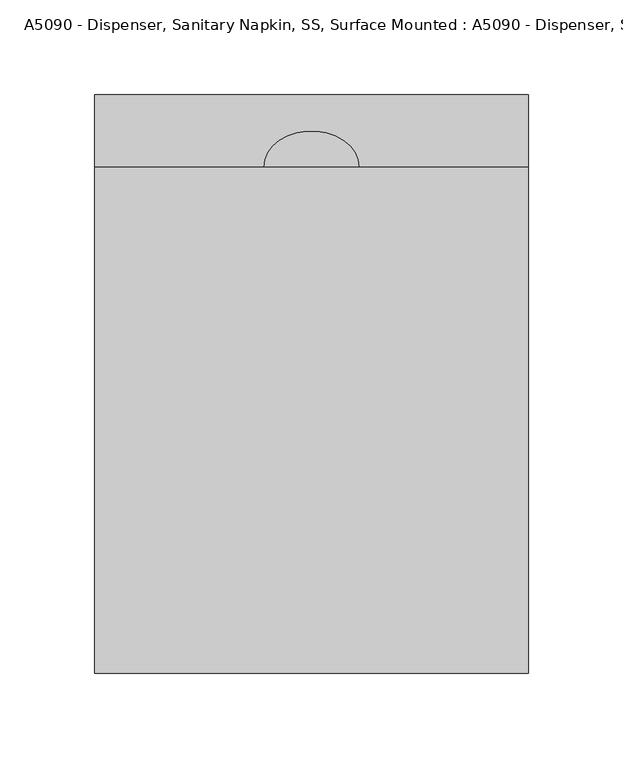
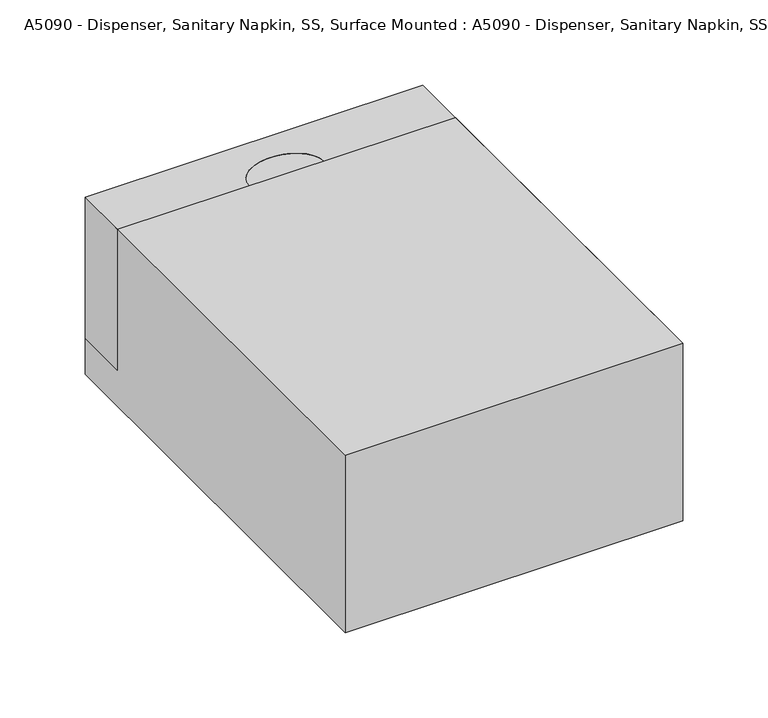
"""IFC4 building model written with IfcOpenShell, lengths in millimetres: proxy geometry, A5090 - Dispenser, Sanitary Napkin, SS, Surface Mounted : A5090 - Dispenser, Sanitary Napkin, SS, Surface Mounted."""

from ifc_helpers import new_model, si_unit, point, frame, origin, origin_with_axes, place, context, project, spatial, polyline, ellipse_curve, trimmed, outline, extrude, source, transform, mapped, element, save
from ifc_brep_helpers import plane_surface, extruded_surface, advanced_brep


def a5090_dispenser_sanitary_napkin_ss_surface_mounted_a5090_ce8c1d57(model_context):
    return source(origin(), model_context, "Body", "SolidModel", [
        extrude(outline(polyline([(0.0, 127.0), (266.7, 127.0), (266.7, 25.4), (304.8, 25.4), (304.8, 0.0), (0.0, 0.0), (0.0, 127.0)])), frame((-114.3, 0.0, 0.0), z_axis=(1.0, 0.0, 0.0), x_axis=(0.0, 1.0, 0.0)), (0.0, 0.0, 1.0), 228.6),
        advanced_brep(
        [(114.3, 304.8, 127.0), (-114.3, 304.8, 127.0), (-114.3, 266.7, 127.0), (-25.4, 266.7, 127.0), (25.4, 266.7, 127.0), (114.3, 266.7, 127.0), (114.3, 304.8, 25.4), (114.3, 266.7, 25.4), (25.4, 266.7, 25.4), (-25.4, 266.7, 25.4), (-114.3, 266.7, 25.4), (-114.3, 304.8, 25.4)],
        [
            (0, 1),
            (1, 2),
            (2, 3),
            (3, 4, ellipse_curve(frame((0.0, 266.7, 127.0), z_axis=(0.0, 0.0, -1.0), x_axis=(1.0, 0.0, 0.0)), 25.4, 19.05)),
            (4, 5),
            (5, 0),
            (6, 7),
            (7, 8),
            (8, 9, ellipse_curve(frame((0.0, 266.7, 25.4), z_axis=(0.0, 0.0, 1.0), x_axis=(1.0, 0.0, 0.0)), 25.4, 19.05)),
            (9, 10),
            (10, 11),
            (11, 6),
            (0, 6),
            (11, 1),
            (10, 2),
            (9, 3),
            (8, 4),
            (7, 5),
        ],
        [
            plane_surface(frame((-114.3, 304.8, 127.0), z_axis=(0.0, 0.0, 1.0), x_axis=(-1.0, 0.0, 0.0))),
            plane_surface(frame((-114.3, 304.8, 25.4), z_axis=(0.0, 0.0, -1.0), x_axis=(1.0, 0.0, 0.0))),
            plane_surface(frame((114.3, 304.8, 127.0), z_axis=(0.0, 1.0, 0.0), x_axis=(0.0, 0.0, -1.0))),
            plane_surface(frame((-114.3, 304.8, 127.0), z_axis=(-1.0, 0.0, 0.0), x_axis=(0.0, 0.0, -1.0))),
            plane_surface(frame((-114.3, 266.7, 127.0), z_axis=(0.0, -1.0, 0.0), x_axis=(0.0, 0.0, -1.0))),
            extruded_surface(trimmed(ellipse_curve(frame((0.0, 266.7, -76.2), z_axis=(0.0, 0.0, -1.0), x_axis=(1.0, 0.0, 0.0)), 25.4, 19.05), [point((-25.4, 266.7, -76.2))], [point((25.4, 266.7, -76.2))], True, "CARTESIAN"), (0.0, 0.0, 101.6), 101.6),
            plane_surface(frame((25.4, 266.7, 127.0), z_axis=(0.0, -1.0, 0.0), x_axis=(0.0, 0.0, -1.0))),
            plane_surface(frame((114.3, 266.7, 127.0), z_axis=(1.0, 0.0, 0.0), x_axis=(0.0, 0.0, -1.0))),
        ],
        [
            (0, [[1, 2, 3, 4, 5, 6]]),
            (1, [[7, 8, 9, 10, 11, 12]]),
            (2, [[-1, 13, -12, 14]]),
            (3, [[-2, -14, -11, 15]]),
            (4, [[-3, -15, -10, 16]]),
            (5, [[-4, -16, -9, 17]]),
            (6, [[-5, -17, -8, 18]]),
            (7, [[-6, -18, -7, -13]]),
        ],
    ),
        extrude(outline(polyline([(114.3, 304.8), (114.3, 0.0), (-114.3, 0.0), (-114.3, 304.8), (114.3, 304.8)])), origin_with_axes(), (0.0, 0.0, 1.0), 127.0),
    ])


if __name__ == "__main__":
    model = new_model("IFC4")
    model_context = context("Model", 3, world=origin())
    ifc_project = project(units=[si_unit("LENGTHUNIT", "METRE", prefix="MILLI")], contexts=[model_context])
    site = spatial("IfcSite", under=ifc_project)
    building = spatial("IfcBuilding", under=site)
    placement = place(None, origin())
    a5090_dispenser_sanitary_napkin_ss_surface_mounted_a5090_shape = a5090_dispenser_sanitary_napkin_ss_surface_mounted_a5090_ce8c1d57(model_context)
    element("IfcBuildingElementProxy", 1, Name="A5090 - Dispenser, Sanitary Napkin, SS, Surface Mounted : A5090 - Dispenser, Sanitary Napkin, SS, Surface Mounted", ObjectType="A5090 - Dispenser, Sanitary Napkin, SS, Surface Mounted : A5090 - Dispenser, Sanitary Napkin, SS, Surface Mounted", at=placement, inside=building, context=model_context, shape_type="MappedRepresentation", body=[
        mapped(a5090_dispenser_sanitary_napkin_ss_surface_mounted_a5090_shape, transform((0.0, 0.0, 0.0), x_axis=(1.0, 0.0, 0.0), y_axis=(0.0, 1.0, 0.0), z_axis=(0.0, 0.0, 1.0))),
    ])
    save(model, "model.ifc")
